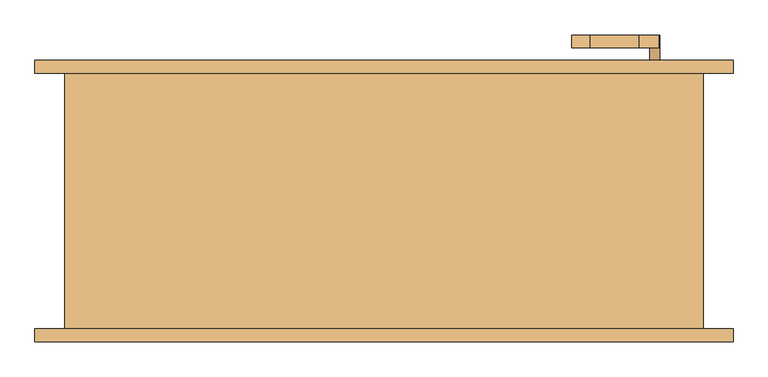
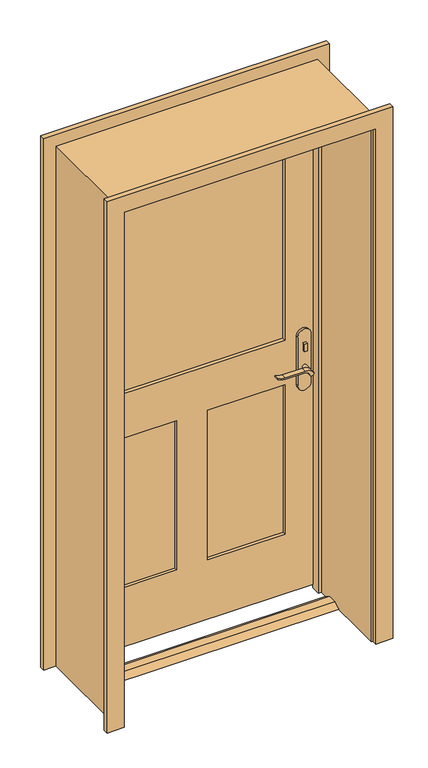
"""IFC4 building model written with IfcOpenShell, lengths in millimetres: door geometry."""

from ifc_helpers import new_model, si_unit, point, frame, frame_2d, origin, place, context, project, spatial, polyline, circle_curve, trimmed, segment, composite_curve, outline, extrude, faceted_brep, source, transform, mapped, element, save


def door_33b7c3b7(model_context):
    return source(origin(), model_context, "Body", "SolidModel", [
        extrude(outline(polyline([(38.025, 15.0), (73.025, 15.0), (98.425, 0.0), (12.625, 0.0), (38.025, 15.0)])), frame((-475.0, 0.0, 0.0), z_axis=(1.0, 0.0, 0.0), x_axis=(0.0, 1.0, 0.0)), (0.0, 0.0, 1.0), 950.0),
        extrude(outline(polyline([(428.8, 141.825), (418.8, 141.825), (418.8, 151.825), (428.8, 151.825), (428.8, 141.825)])), frame((0.0, 0.0, 981.9), z_axis=(0.0, 0.0, 1.0), x_axis=(1.0, 0.0, 0.0)), (0.0, 0.0, 1.0), 30.0),
        extrude(outline(composite_curve([segment(trimmed(circle_curve(frame_2d((996.9, 423.8)), 8.0), [point((996.9, 415.8))], [point((996.9, 431.8))], False, "CARTESIAN"), True, "CONTINUOUS"), segment(trimmed(circle_curve(frame_2d((996.9, 423.8)), 8.0), [point((996.9, 431.8))], [point((996.9, 415.8))], False, "CARTESIAN"), True, "CONTINUOUS")], self_intersect=False)), frame((0.0, 206.825, 0.0), z_axis=(0.0, 1.0, 0.0), x_axis=(0.0, 0.0, 1.0)), (0.0, 0.0, 1.0), 10.0),
        extrude(outline(composite_curve([segment(trimmed(circle_curve(frame_2d((897.1555521, 400.1324871)), 37.2832219), [point((919.0523287, 430.3081363))], [point((934.4, 398.4325667))], False, "CARTESIAN"), True, "CONTINUOUS"), segment(polyline([(934.4, 398.4325667), (934.4, 322.1564091)]), True, "CONTINUOUS"), segment(trimmed(circle_curve(frame_2d((1017.6850638, 322.2227909)), 83.2850902), [point((934.4, 322.1564091))], [point((939.4, 293.8))], True, "CARTESIAN"), True, "CONTINUOUS"), segment(polyline([(939.4, 293.8), (936.6135558, 293.8)]), True, "CONTINUOUS"), segment(trimmed(circle_curve(frame_2d((986.6709207, 325.7396612)), 59.3791355), [point((936.6135558, 293.8))], [point((927.4, 322.1564091))], False, "CARTESIAN"), True, "CONTINUOUS"), segment(polyline([(927.4, 322.1564091), (927.4, 398.4138099)]), True, "CONTINUOUS"), segment(trimmed(circle_curve(frame_2d((909.2738613, 398.4138099)), 18.1261387), [point((927.4, 398.4138099))], [point((914.4, 415.8))], True, "CARTESIAN"), True, "CONTINUOUS"), segment(trimmed(circle_curve(frame_2d((914.4, 423.8)), 8.0), [point((914.4, 415.8))], [point((919.0523287, 430.3081363))], False, "CARTESIAN"), True, "CONTINUOUS")], self_intersect=False)), frame((0.0, 101.825, 0.0), z_axis=(0.0, 1.0, 0.0), x_axis=(0.0, 0.0, 1.0)), (0.0, 0.0, 1.0), 20.0),
        extrude(outline(composite_curve([segment(trimmed(circle_curve(frame_2d((914.4, 423.8)), 8.0), [point((914.3999903, 415.8))], [point((919.0523287, 430.3081363))], False, "CARTESIAN"), True, "CONTINUOUS"), segment(trimmed(circle_curve(frame_2d((897.1555521, 400.1324871)), 37.2832219), [point((919.0523287, 430.3081363))], [point((934.4, 398.4325667))], False, "CARTESIAN"), True, "CONTINUOUS"), segment(polyline([(934.4, 398.4325667), (934.4, 322.1564091)]), True, "CONTINUOUS"), segment(trimmed(circle_curve(frame_2d((1017.6850638, 322.2227909)), 83.2850902), [point((934.4, 322.1564091))], [point((939.4, 293.8))], True, "CARTESIAN"), True, "CONTINUOUS"), segment(polyline([(939.4, 293.8), (936.6135558, 293.8)]), True, "CONTINUOUS"), segment(trimmed(circle_curve(frame_2d((986.6709207, 325.7396612)), 59.3791355), [point((936.6135558, 293.8))], [point((927.4, 322.1564091))], False, "CARTESIAN"), True, "CONTINUOUS"), segment(polyline([(927.4, 322.1564091), (927.4, 398.4138122)]), True, "CONTINUOUS"), segment(trimmed(circle_curve(frame_2d((909.2738682, 398.4138122)), 18.1261318), [point((927.4, 398.4138122))], [point((914.3999903, 415.8))], True, "CARTESIAN"), True, "CONTINUOUS")], self_intersect=False)), frame((0.0, 236.825, 0.0), z_axis=(0.0, 1.0, 0.0), x_axis=(0.0, 0.0, 1.0)), (0.0, 0.0, 1.0), 20.0),
        extrude(outline(composite_curve([segment(trimmed(circle_curve(frame_2d((914.4, 423.8)), 8.0), [point((914.4, 415.8))], [point((914.4, 431.8))], False, "CARTESIAN"), True, "CONTINUOUS"), segment(trimmed(circle_curve(frame_2d((914.4, 423.8)), 8.0), [point((914.4, 431.8))], [point((914.4, 415.8))], False, "CARTESIAN"), True, "CONTINUOUS")], self_intersect=False)), frame((0.0, 121.825, 0.0), z_axis=(0.0, 1.0, 0.0), x_axis=(0.0, 0.0, 1.0)), (0.0, 0.0, 1.0), 30.0),
        extrude(outline(composite_curve([segment(trimmed(circle_curve(frame_2d((914.4, 423.8)), 8.0), [point((914.4, 415.8))], [point((914.4, 431.8))], False, "CARTESIAN"), True, "CONTINUOUS"), segment(trimmed(circle_curve(frame_2d((914.4, 423.8)), 8.0), [point((914.4, 431.8))], [point((914.4, 415.8))], False, "CARTESIAN"), True, "CONTINUOUS")], self_intersect=False)), frame((0.0, 206.825, 0.0), z_axis=(0.0, 1.0, 0.0), x_axis=(0.0, 0.0, 1.0)), (0.0, 0.0, 1.0), 30.0),
        extrude(outline(composite_curve([segment(polyline([(844.4, 448.8), (1039.4, 448.8)]), True, "CONTINUOUS"), segment(trimmed(circle_curve(frame_2d((1039.4, 423.8)), 25.0), [point((1039.4, 448.8))], [point((1039.4, 398.8))], False, "CARTESIAN"), True, "CONTINUOUS"), segment(polyline([(1039.4, 398.8), (844.4, 398.8)]), True, "CONTINUOUS"), segment(trimmed(circle_curve(frame_2d((844.4, 423.8)), 25.0), [point((844.4, 398.8))], [point((844.4, 448.8))], False, "CARTESIAN"), True, "CONTINUOUS")], self_intersect=False)), frame((0.0, 151.825, 0.0), z_axis=(0.0, 1.0, 0.0), x_axis=(0.0, 0.0, 1.0)), (0.0, 0.0, 1.0), 10.0),
        extrude(outline(composite_curve([segment(polyline([(844.4, 448.8), (1039.4, 448.8)]), True, "CONTINUOUS"), segment(trimmed(circle_curve(frame_2d((1039.4, 423.8)), 25.0), [point((1039.4, 448.8))], [point((1039.4, 398.8))], False, "CARTESIAN"), True, "CONTINUOUS"), segment(polyline([(1039.4, 398.8), (844.4, 398.8)]), True, "CONTINUOUS"), segment(trimmed(circle_curve(frame_2d((844.4, 423.8)), 25.0), [point((844.4, 398.8))], [point((844.4, 448.8))], False, "CARTESIAN"), True, "CONTINUOUS")], self_intersect=False)), frame((0.0, 196.825, 0.0), z_axis=(0.0, 1.0, 0.0), x_axis=(0.0, 0.0, 1.0)), (0.0, 0.0, 1.0), 10.0),
        extrude(outline(polyline([(2075.0, -475.0), (15.0, -475.0), (15.0, 475.0), (2075.0, 475.0), (2075.0, -475.0)]), holes=[polyline([(1037.5, -355.0), (1955.0, -355.0), (1955.0, 355.0), (1037.5, 355.0), (1037.5, -355.0)]), polyline([(857.5, -60.0), (255.0, -60.0), (255.0, -355.0), (857.5, -355.0), (857.5, -60.0)]), polyline([(857.5, 355.0), (255.0, 355.0), (255.0, 60.0), (857.5, 60.0), (857.5, 355.0)])]), frame((0.0, 161.825, 0.0), z_axis=(0.0, 1.0, 0.0), x_axis=(0.0, 0.0, 1.0)), (0.0, 0.0, 1.0), 35.0),
        faceted_brep([(500.0, 196.825, 0.0), (500.0, -203.175, 0.0), (475.0, -203.175, 0.0), (475.0, 126.9, 0.0), (462.3, 126.9, 0.0), (462.3, 161.825, 0.0), (475.0, 161.825, 0.0), (475.0, 196.825, 0.0), (500.0, 196.825, 2100.0), (500.0, -203.175, 2100.0), (-500.0, -203.175, 2100.0), (-500.0, -203.175, 0.0), (-475.0, -203.175, 0.0), (-475.0, -203.175, 2075.0), (475.0, -203.175, 2075.0), (475.0, 126.9, 2075.0), (-475.0, 126.9, 2075.0), (-475.0, 126.9, 0.0), (-462.3, 126.9, 0.0), (-462.3, 126.9, 2062.3), (462.3, 126.9, 2062.3), (462.3, 161.825, 2062.3), (-462.3, 161.825, 2062.3), (-462.3, 161.825, 0.0), (-475.0, 161.825, 0.0), (-475.0, 161.825, 2075.0), (475.0, 161.825, 2075.0), (475.0, 196.825, 2075.0), (-475.0, 196.825, 2075.0), (-475.0, 196.825, 0.0), (-500.0, 196.825, 0.0), (-500.0, 196.825, 2100.0)], [[[0, 1, 2, 3, 4, 5, 6, 7]], [[1, 0, 8, 9]], [[2, 1, 9, 10, 11, 12, 13, 14]], [[3, 2, 14, 15]], [[4, 3, 15, 16, 17, 18, 19, 20]], [[5, 4, 20, 21]], [[6, 5, 21, 22, 23, 24, 25, 26]], [[7, 6, 26, 27]], [[0, 7, 27, 28, 29, 30, 31, 8]], [[9, 8, 31, 10]], [[15, 14, 13, 16]], [[21, 20, 19, 22]], [[27, 26, 25, 28]], [[30, 29, 24, 23, 18, 17, 12, 11]], [[10, 31, 30, 11]], [[16, 13, 12, 17]], [[22, 19, 18, 23]], [[28, 25, 24, 29]]]),
        extrude(outline(polyline([(-60.0, 173.4916667), (-355.0, 173.4916667), (-355.0, 185.1583333), (-60.0, 185.1583333), (-60.0, 173.4916667)])), frame((0.0, 0.0, 255.0), z_axis=(0.0, 0.0, 1.0), x_axis=(1.0, 0.0, 0.0)), (0.0, 0.0, 1.0), 602.5),
        extrude(outline(polyline([(355.0, 173.4916667), (60.0, 173.4916667), (60.0, 185.1583333), (355.0, 185.1583333), (355.0, 173.4916667)])), frame((0.0, 0.0, 255.0), z_axis=(0.0, 0.0, 1.0), x_axis=(1.0, 0.0, 0.0)), (0.0, 0.0, 1.0), 602.5),
        extrude(outline(polyline([(355.0, 175.825), (-355.0, 175.825), (-355.0, 182.825), (355.0, 182.825), (355.0, 175.825)])), frame((0.0, 0.0, 1037.5), z_axis=(0.0, 0.0, 1.0), x_axis=(1.0, 0.0, 0.0)), (0.0, 0.0, 1.0), 917.5),
        extrude(outline(polyline([(0.0, -546.35), (0.0, -481.35), (2081.35, -481.35), (2081.35, 481.35), (0.0, 481.35), (0.0, 546.35), (2146.35, 546.35), (2146.35, -546.35), (0.0, -546.35)])), frame((0.0, -223.175, 0.0), z_axis=(0.0, 1.0, 0.0), x_axis=(0.0, 0.0, 1.0)), (0.0, 0.0, 1.0), 20.0),
        extrude(outline(polyline([(0.0, -546.35), (0.0, -481.35), (2081.35, -481.35), (2081.35, 481.35), (0.0, 481.35), (0.0, 546.35), (2146.35, 546.35), (2146.35, -546.35), (0.0, -546.35)])), frame((0.0, 196.825, 0.0), z_axis=(0.0, 1.0, 0.0), x_axis=(0.0, 0.0, 1.0)), (0.0, 0.0, 1.0), 20.0),
    ])


if __name__ == "__main__":
    model = new_model("IFC4")
    model_context = context("Model", 3, world=origin())
    ifc_project = project(units=[si_unit("LENGTHUNIT", "METRE", prefix="MILLI")], contexts=[model_context])
    site = spatial("IfcSite", under=ifc_project)
    building = spatial("IfcBuilding", under=site)
    placement = place(None, origin())
    door_shape = door_33b7c3b7(model_context)
    element("IfcDoor", 1, at=placement, inside=building, context=model_context, shape_type="MappedRepresentation", body=[
        mapped(door_shape, transform((0.0, 0.0, 0.0), x_axis=(1.0, 0.0, 0.0), y_axis=(0.0, 1.0, 0.0), z_axis=(0.0, 0.0, 1.0))),
    ])
    save(model, "model.ifc")
